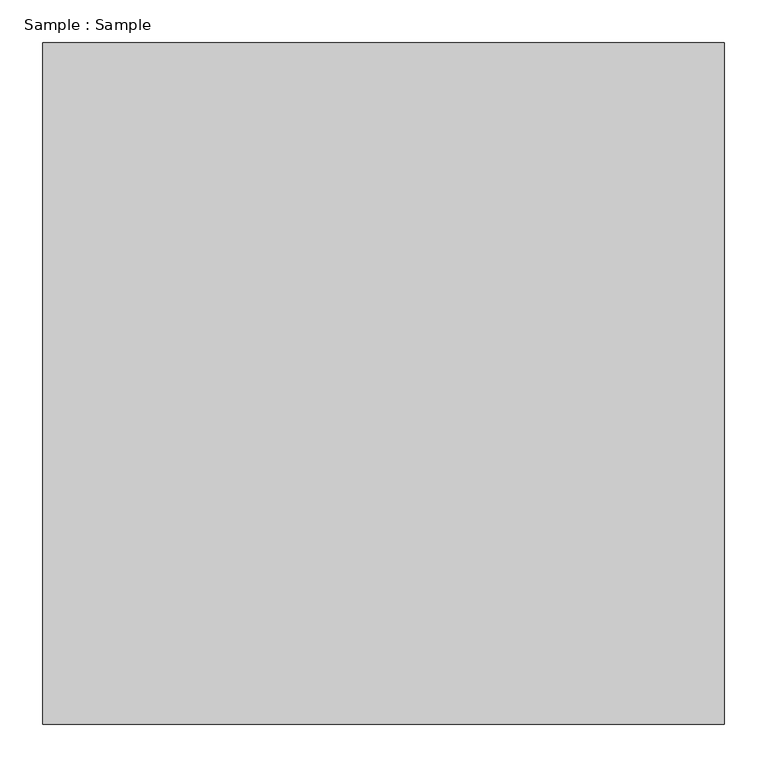
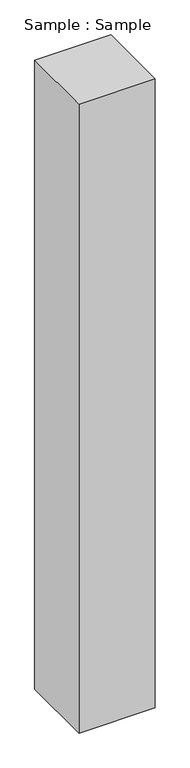
"""IFC4 building model written with IfcOpenShell, lengths in millimetres: proxy geometry, Sample : Sample."""

from ifc_helpers import new_model, si_unit, origin, origin_with_axes, place, context, project, spatial, polyline, outline, extrude, source, transform, mapped, element, save


def sample_sample_dc3d38aa(model_context):
    return source(origin(), model_context, "Body", "SweptSolid", [
        extrude(outline(polyline([(400.0, 400.0), (400.0, -400.0), (-400.0, -400.0), (-400.0, 400.0), (400.0, 400.0)])), origin_with_axes(), (0.0, 0.0, 1.0), 6965.5172414),
    ])


if __name__ == "__main__":
    model = new_model("IFC4")
    model_context = context("Model", 3, world=origin())
    ifc_project = project(units=[si_unit("LENGTHUNIT", "METRE", prefix="MILLI")], contexts=[model_context])
    site = spatial("IfcSite", under=ifc_project)
    building = spatial("IfcBuilding", under=site)
    placement = place(None, origin())
    sample_sample_shape = sample_sample_dc3d38aa(model_context)
    element("IfcBuildingElementProxy", 1, Name="Sample : Sample", ObjectType="Sample : Sample", at=placement, inside=building, context=model_context, shape_type="MappedRepresentation", body=[
        mapped(sample_sample_shape, transform((0.0, 0.0, 0.0), x_axis=(1.0, 0.0, 0.0), y_axis=(0.0, 1.0, 0.0), z_axis=(0.0, 0.0, 1.0))),
    ])
    save(model, "model.ifc")
